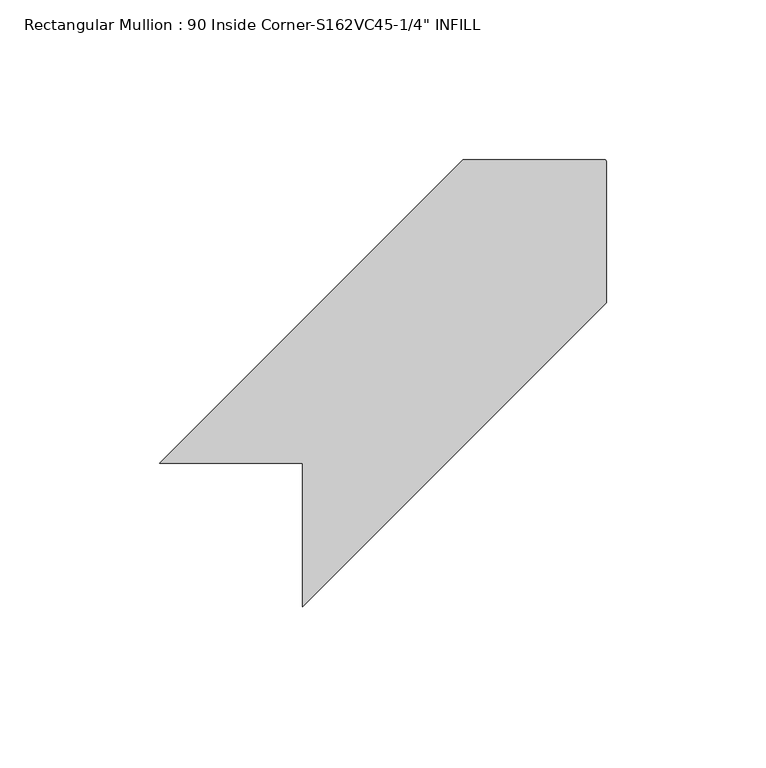
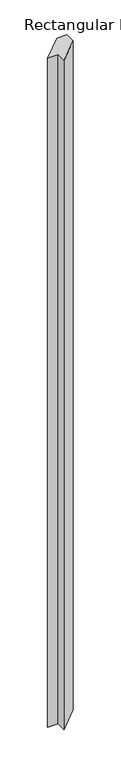
"""IFC4 building model written with IfcOpenShell, lengths in millimetres: member geometry."""

from ifc_helpers import new_model, si_unit, point, frame, frame_2d, origin, place, context, project, spatial, polyline, circle_curve, trimmed, segment, composite_curve, outline, extrude, source, transform, mapped, element, save


def member_22d77643(model_context):
    return source(origin(), model_context, "Body", "SweptSolid", [
        extrude(outline(composite_curve([segment(polyline([(49.8093543, 139.6119155), (93.9486349, 139.6119155)]), True, "CONTINUOUS"), segment(trimmed(circle_curve(frame_2d((93.9486349, 138.8499155)), 0.762), [point((93.9486349, 139.6119155))], [point((94.7106349, 138.8499155))], False, "CARTESIAN"), True, "CONTINUOUS"), segment(polyline([(94.7106349, 138.8499155), (94.7106349, 94.7106349), (-0.5393651, -0.5393651), (-0.5393651, 44.3619155), (-45.4406457, 44.3619155), (49.8093543, 139.6119155)]), True, "CONTINUOUS")], self_intersect=False)), frame((0.0, 0.0, -3048.0), z_axis=(0.0, 0.0, 1.0), x_axis=(1.0, 0.0, 0.0)), (0.0, 0.0, 1.0), 3048.0),
    ])


if __name__ == "__main__":
    model = new_model("IFC4")
    model_context = context("Model", 3, world=origin())
    ifc_project = project(units=[si_unit("LENGTHUNIT", "METRE", prefix="MILLI")], contexts=[model_context])
    site = spatial("IfcSite", under=ifc_project)
    building = spatial("IfcBuilding", under=site)
    placement = place(None, origin())
    member_shape = member_22d77643(model_context)
    element("IfcMember", 1, ObjectType="Rectangular Mullion : 90 Inside Corner-S162VC45-1/4\" INFILL", at=placement, inside=building, context=model_context, shape_type="MappedRepresentation", body=[
        mapped(member_shape, transform((0.0, 0.0, 0.0), x_axis=(1.0, 0.0, 0.0), y_axis=(0.0, 1.0, 0.0), z_axis=(0.0, 0.0, 1.0))),
    ])
    save(model, "model.ifc")
